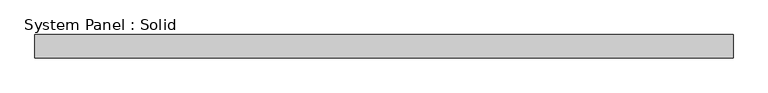
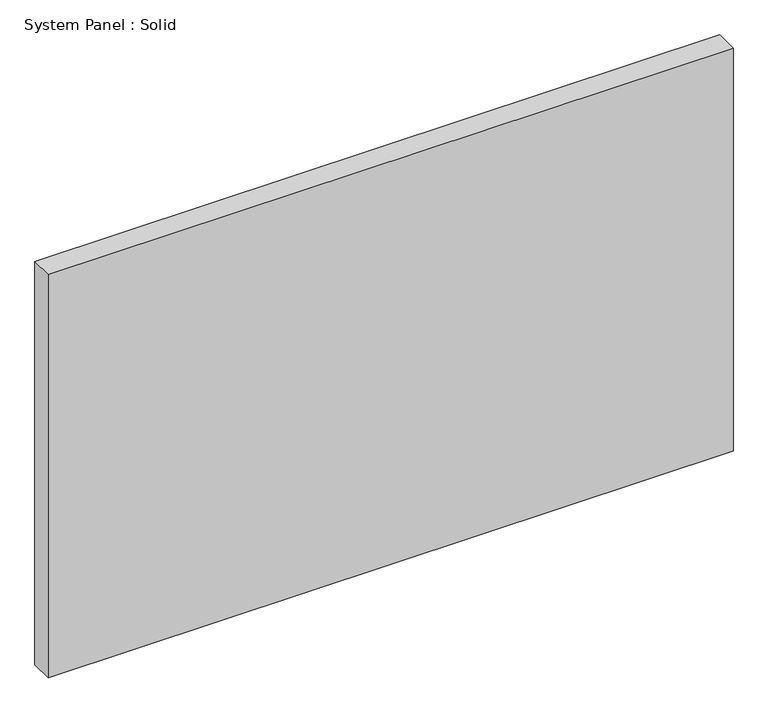
"""IFC4 building model written with IfcOpenShell, lengths in millimetres: plate geometry, System Panel : Solid."""

import ifcopenshell
import ifcopenshell.guid

model = None  # the IFC model being written
_history = None  # IfcOwnerHistory: only IFC2X3 demands one
_inside = {}  # id of a spatial element -> (the spatial element, [elements in it])
_under = {}  # id of a project, library or spatial element -> (it, [spatial elements below it])
_declared = {}  # id of a project -> (the project, [libraries it declares])
_typed = {}  # id of a type object -> (the type object, [elements of that type])
_made_of = {}  # id of a material, layer set ... -> (it, [elements and type objects made of it])


def new_model(schema):
    """Start an empty IFC model of exactly this schema.

    Asked for "IFC4X3", IfcOpenShell would pick the latest addendum, in which some entities
    have other attributes; the version numbers below select the first issue.
    IFC2X3 requires an IfcOwnerHistory on every rooted entity: one is made here for all.
    """
    global model, _history
    if schema == "IFC4X3":
        model = ifcopenshell.file(schema_version=(4, 3, 0, 0))
    else:
        model = ifcopenshell.file(schema=schema)
    _inside.clear()
    _under.clear()
    _declared.clear()
    _typed.clear()
    _made_of.clear()
    _history = None
    if model.schema == "IFC2X3":
        org = make("IfcOrganization", Name="unknown")
        user = make(
            "IfcPersonAndOrganization",
            ThePerson=make("IfcPerson", FamilyName="unknown"),
            TheOrganization=org,
        )
        app = make(
            "IfcApplication",
            ApplicationDeveloper=org,
            Version="unknown",
            ApplicationFullName="unknown",
            ApplicationIdentifier="unknown",
        )
        _history = make(
            "IfcOwnerHistory",
            OwningUser=user,
            OwningApplication=app,
            ChangeAction="ADDED",
            CreationDate=0,
        )
    return model


def make(cls, **values):
    """One entity of the class cls with the attributes given. An attribute that is None is left unset."""
    return model.create_entity(
        cls, **{name: value for name, value in values.items() if value is not None}
    )


def rooted(cls, **values):
    """An entity with a GlobalId (a new one), such as an element, a storey or a relation."""
    return make(cls, GlobalId=ifcopenshell.guid.new(), OwnerHistory=_history, **values)


def si_unit(unit_type, name, prefix=None):
    """IfcSIUnit, for example si_unit("LENGTHUNIT", "METRE", prefix="MILLI")."""
    return make("IfcSIUnit", UnitType=unit_type, Prefix=prefix, Name=name)


def assignment(units):
    """IfcUnitAssignment: the units of a project."""
    return None if units is None else make("IfcUnitAssignment", Units=units)


def point(xyz):
    """IfcCartesianPoint."""
    return None if xyz is None else make("IfcCartesianPoint", Coordinates=xyz)


def direction(xyz):
    """IfcDirection."""
    return None if xyz is None else make("IfcDirection", DirectionRatios=xyz)


def frame(location, z_axis=None, x_axis=None):
    """IfcAxis2Placement3D, a coordinate frame: its origin and axes. An axis left out is left unset."""
    return make(
        "IfcAxis2Placement3D",
        Location=point(location),
        Axis=direction(z_axis),
        RefDirection=direction(x_axis),
    )


def origin():
    """The frame at (0, 0, 0) with its axes left unset."""
    return frame((0.0, 0.0, 0.0))


def origin_with_axes():
    """The frame at (0, 0, 0) with the z axis (0, 0, 1) and the x axis (1, 0, 0) written out."""
    return frame((0.0, 0.0, 0.0), z_axis=(0.0, 0.0, 1.0), x_axis=(1.0, 0.0, 0.0))


def place(relative_to, where):
    """IfcLocalPlacement: puts the frame where relative to a parent placement (None: the world)."""
    return make(
        "IfcLocalPlacement", PlacementRelTo=relative_to, RelativePlacement=where
    )


def context(
    kind, dimensions, precision=None, world=None, true_north=None, identifier=None
):
    """IfcGeometricRepresentationContext, for example the 3D "Model" context."""
    return make(
        "IfcGeometricRepresentationContext",
        ContextIdentifier=identifier,
        ContextType=kind,
        CoordinateSpaceDimension=dimensions,
        Precision=precision,
        WorldCoordinateSystem=world,
        TrueNorth=true_north,
    )


def project(units=None, contexts=None):
    """IfcProject with its units and contexts."""
    return rooted(
        "IfcProject",
        Name="project",
        RepresentationContexts=contexts,
        UnitsInContext=assignment(units),
    )


def spatial(cls, under=None, at=None, **own):
    """A site, building, storey or space (cls), placed at a placement, below another one or the project."""
    s = rooted(cls, ObjectPlacement=at, **own)
    if under is not None:
        _under.setdefault(under.id(), (under, []))[1].append(s)
    return s


def polyline(points):
    """IfcPolyline through the points."""
    return make("IfcPolyline", Points=[point(p) for p in points])


def outline(outer, holes=None, kind="AREA"):
    """IfcArbitraryClosedProfileDef: a profile drawn as a closed curve; with holes, ...WithVoids."""
    if holes is None:
        return make("IfcArbitraryClosedProfileDef", ProfileType=kind, OuterCurve=outer)
    return make(
        "IfcArbitraryProfileDefWithVoids",
        ProfileType=kind,
        OuterCurve=outer,
        InnerCurves=holes,
    )


def extrude(swept, where, along, depth):
    """IfcExtrudedAreaSolid: the profile swept, set in the frame where, extruded along a direction by depth."""
    return make(
        "IfcExtrudedAreaSolid",
        SweptArea=swept,
        Position=where,
        ExtrudedDirection=direction(along),
        Depth=depth,
    )


def shape(context_of_items, identifier, shape_type, items):
    """IfcShapeRepresentation: the items that make up one representation, for example the "Body"."""
    return make(
        "IfcShapeRepresentation",
        ContextOfItems=context_of_items,
        RepresentationIdentifier=identifier,
        RepresentationType=shape_type,
        Items=items,
    )


def source(mapping_origin, context_of_items, identifier, shape_type, items):
    """IfcRepresentationMap: a shape defined once, which mapped items show again and again."""
    return make(
        "IfcRepresentationMap",
        MappingOrigin=mapping_origin,
        MappedRepresentation=shape(context_of_items, identifier, shape_type, items),
    )


def transform(
    local_origin,
    x_axis=None,
    y_axis=None,
    z_axis=None,
    scale=None,
    scale2=None,
    scale3=None,
    uniform=True,
):
    """IfcCartesianTransformationOperator3D, or its non-uniform kind. x_axis, y_axis, z_axis: its Axis1, 2, 3."""
    if uniform:
        return make(
            "IfcCartesianTransformationOperator3D",
            Axis1=direction(x_axis),
            Axis2=direction(y_axis),
            LocalOrigin=point(local_origin),
            Scale=scale,
            Axis3=direction(z_axis),
        )
    return make(
        "IfcCartesianTransformationOperator3DnonUniform",
        Axis1=direction(x_axis),
        Axis2=direction(y_axis),
        LocalOrigin=point(local_origin),
        Scale=scale,
        Axis3=direction(z_axis),
        Scale2=scale2,
        Scale3=scale3,
    )


def mapped(mapping_source, mapping_target):
    """IfcMappedItem: shows the shape of a source again, moved by a transform."""
    return make(
        "IfcMappedItem", MappingSource=mapping_source, MappingTarget=mapping_target
    )


def made_of(thing, what):
    """Note that an element or type object is made of a material, layer set ...; save() writes the relation."""
    if what is not None:
        _made_of.setdefault(what.id(), (what, []))[1].append(thing)
    return thing


def element(
    cls,
    number,
    at=None,
    inside=None,
    cuts=None,
    type_object=None,
    material=None,
    context=None,
    identifier="Body",
    shape_type=None,
    held_by="IfcProductDefinitionShape",
    body=None,
    shapes=None,
    **own,
):
    """One element of the class cls, such as IfcWall. Its Tag is "e" and its number.

    at: its placement. inside: the storey or other place that contains it. cuts: it is an
    opening in that element (IfcRelVoidsElement). A single representation is given by context,
    identifier, shape_type and body (its items); several are given by shapes. held_by: the class
    of the entity that holds the representations. save() writes the other relations.
    """
    e = rooted(cls, Tag="e%d" % number, ObjectPlacement=at, **own)
    if body is not None:
        shapes = [shape(context, identifier, shape_type, body)]
    if shapes is not None:
        e.Representation = make(held_by, Representations=shapes)
    if inside is not None:
        _inside.setdefault(inside.id(), (inside, []))[1].append(e)
    if cuts is not None:
        rooted(
            "IfcRelVoidsElement", RelatingBuildingElement=cuts, RelatedOpeningElement=e
        )
    if type_object is not None:
        _typed.setdefault(type_object.id(), (type_object, []))[1].append(e)
    return made_of(e, material)


def aggregate(whole, parts):
    """IfcRelAggregates: a whole, such as a stair, and the parts it consists of."""
    return rooted("IfcRelAggregates", RelatingObject=whole, RelatedObjects=parts)


def save(model, path):
    """Write the relations noted so far, then the file.

    IfcRelAggregates (storeys below a building ...), IfcRelContainedInSpatialStructure (elements
    in a storey), IfcRelDefinesByType, IfcRelAssociatesMaterial and IfcRelDeclares: one each for
    every whole, place, type object, material and project.
    """
    for whole, parts in _under.values():
        aggregate(whole, parts)
    for where, things in _inside.values():
        rooted(
            "IfcRelContainedInSpatialStructure",
            RelatedElements=things,
            RelatingStructure=where,
        )
    for kind, things in _typed.values():
        rooted("IfcRelDefinesByType", RelatedObjects=things, RelatingType=kind)
    for what, things in _made_of.values():
        rooted("IfcRelAssociatesMaterial", RelatedObjects=things, RelatingMaterial=what)
    for by, libraries in _declared.values():
        rooted("IfcRelDeclares", RelatingContext=by, RelatedDefinitions=libraries)
    model.write(path)


def system_panel_solid_76b2c4a6(model_context):
    return source(origin(), model_context, "Body", "SweptSolid", [
        extrude(outline(polyline([(895.5, -10.5), (-895.5, -10.5), (-895.5, 49.5), (895.5, 49.5), (895.5, -10.5)])), origin_with_axes(), (0.0, 0.0, 1.0), 1115.0),
    ])


if __name__ == "__main__":
    model = new_model("IFC4")
    model_context = context("Model", 3, world=origin())
    ifc_project = project(units=[si_unit("LENGTHUNIT", "METRE", prefix="MILLI")], contexts=[model_context])
    site = spatial("IfcSite", under=ifc_project)
    building = spatial("IfcBuilding", under=site)
    placement = place(None, origin())
    system_panel_solid_shape = system_panel_solid_76b2c4a6(model_context)
    element("IfcPlate", 1, ObjectType="System Panel : Solid", at=placement, inside=building, context=model_context, shape_type="MappedRepresentation", body=[
        mapped(system_panel_solid_shape, transform((0.0, 0.0, 0.0), x_axis=(1.0, 0.0, 0.0), y_axis=(0.0, 1.0, 0.0), z_axis=(0.0, 0.0, 1.0))),
    ])
    save(model, "model.ifc")
